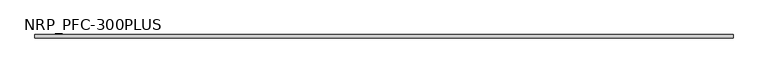
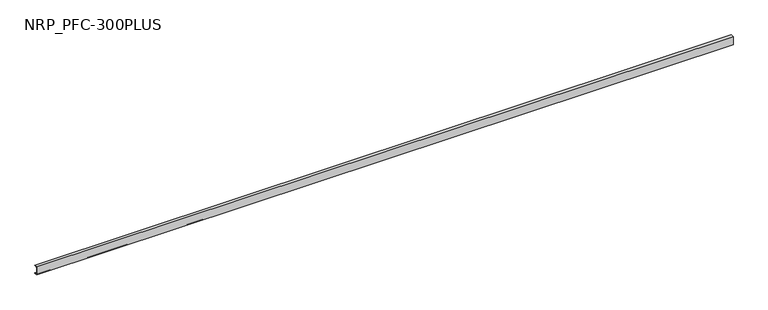
"""IFC4 building model written with IfcOpenShell, lengths in millimetres: beam geometry, NRP_PFC-300PLUS."""

from ifc_helpers import new_model, si_unit, point, frame, frame_2d, origin, place, context, project, spatial, polyline, circle_curve, trimmed, segment, composite_curve, outline, extrude, source, transform, mapped, element, save


def nrp_pfc_300plus_969150aa(model_context):
    return source(origin(), model_context, "Body", "SweptSolid", [
        extrude(outline(composite_curve([segment(polyline([(-24.4, 100.0), (50.6, 100.0), (50.6, 88.0), (-6.4, 88.0)]), True, "CONTINUOUS"), segment(trimmed(circle_curve(frame_2d((-6.4, 76.0)), 12.0), [point((-6.4, 88.0))], [point((-18.4, 76.0))], True, "CARTESIAN"), True, "CONTINUOUS"), segment(polyline([(-18.4, 76.0), (-18.4, -76.0)]), True, "CONTINUOUS"), segment(trimmed(circle_curve(frame_2d((-6.4, -76.0)), 12.0), [point((-18.4, -76.0))], [point((-6.4, -88.0))], True, "CARTESIAN"), True, "CONTINUOUS"), segment(polyline([(-6.4, -88.0), (50.6, -88.0), (50.6, -100.0), (-24.4, -100.0), (-24.4, 100.0)]), True, "CONTINUOUS")], self_intersect=False)), frame((-8198.0, 0.0, 0.0), z_axis=(1.0, 0.0, 0.0), x_axis=(0.0, 1.0, 0.0)), (0.0, 0.0, 1.0), 16402.0),
    ])


if __name__ == "__main__":
    model = new_model("IFC4")
    model_context = context("Model", 3, world=origin())
    ifc_project = project(units=[si_unit("LENGTHUNIT", "METRE", prefix="MILLI")], contexts=[model_context])
    site = spatial("IfcSite", under=ifc_project)
    building = spatial("IfcBuilding", under=site)
    placement = place(None, origin())
    nrp_pfc_300plus_shape = nrp_pfc_300plus_969150aa(model_context)
    element("IfcBeam", 1, ObjectType="NRP_PFC-300PLUS", at=placement, inside=building, context=model_context, shape_type="MappedRepresentation", body=[
        mapped(nrp_pfc_300plus_shape, transform((0.0, 0.0, 0.0), x_axis=(1.0, 0.0, 0.0), y_axis=(0.0, 1.0, 0.0), z_axis=(0.0, 0.0, 1.0))),
    ])
    save(model, "model.ifc")
